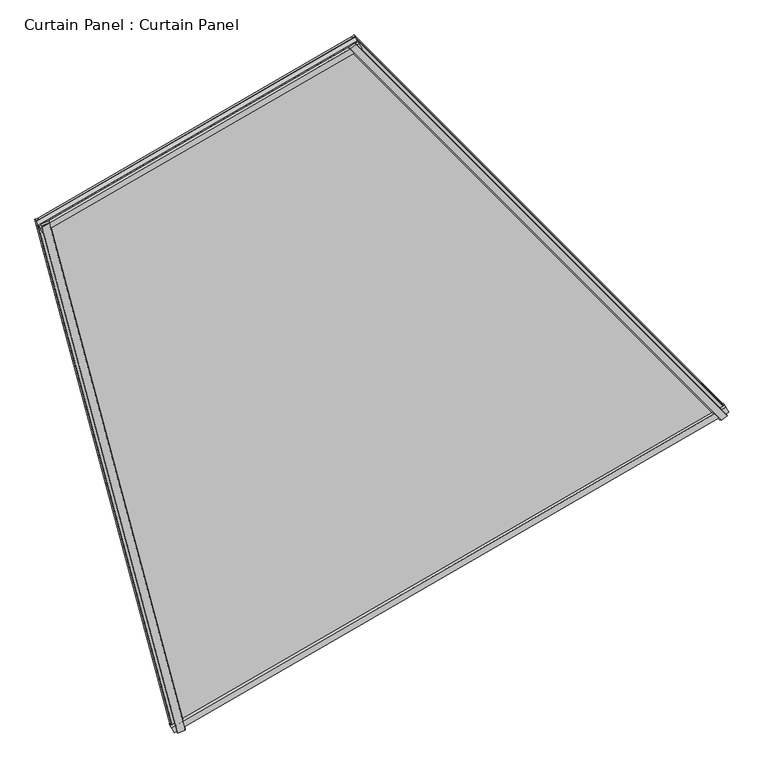
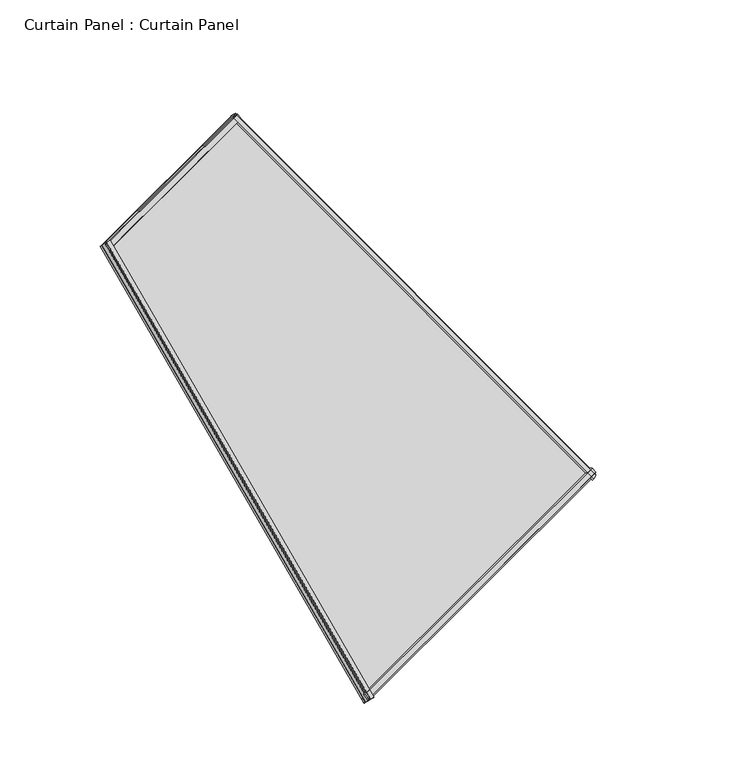
"""IFC4 building model written with IfcOpenShell, lengths in millimetres: plate geometry, Curtain Panel : Curtain Panel."""

import ifcopenshell
import ifcopenshell.guid

model = None  # the IFC model being written
_history = None  # IfcOwnerHistory: only IFC2X3 demands one
_inside = {}  # id of a spatial element -> (the spatial element, [elements in it])
_under = {}  # id of a project, library or spatial element -> (it, [spatial elements below it])
_declared = {}  # id of a project -> (the project, [libraries it declares])
_typed = {}  # id of a type object -> (the type object, [elements of that type])
_made_of = {}  # id of a material, layer set ... -> (it, [elements and type objects made of it])


def new_model(schema):
    """Start an empty IFC model of exactly this schema.

    Asked for "IFC4X3", IfcOpenShell would pick the latest addendum, in which some entities
    have other attributes; the version numbers below select the first issue.
    IFC2X3 requires an IfcOwnerHistory on every rooted entity: one is made here for all.
    """
    global model, _history
    if schema == "IFC4X3":
        model = ifcopenshell.file(schema_version=(4, 3, 0, 0))
    else:
        model = ifcopenshell.file(schema=schema)
    _inside.clear()
    _under.clear()
    _declared.clear()
    _typed.clear()
    _made_of.clear()
    _history = None
    if model.schema == "IFC2X3":
        org = make("IfcOrganization", Name="unknown")
        user = make(
            "IfcPersonAndOrganization",
            ThePerson=make("IfcPerson", FamilyName="unknown"),
            TheOrganization=org,
        )
        app = make(
            "IfcApplication",
            ApplicationDeveloper=org,
            Version="unknown",
            ApplicationFullName="unknown",
            ApplicationIdentifier="unknown",
        )
        _history = make(
            "IfcOwnerHistory",
            OwningUser=user,
            OwningApplication=app,
            ChangeAction="ADDED",
            CreationDate=0,
        )
    return model


def make(cls, **values):
    """One entity of the class cls with the attributes given. An attribute that is None is left unset."""
    return model.create_entity(
        cls, **{name: value for name, value in values.items() if value is not None}
    )


def rooted(cls, **values):
    """An entity with a GlobalId (a new one), such as an element, a storey or a relation."""
    return make(cls, GlobalId=ifcopenshell.guid.new(), OwnerHistory=_history, **values)


def si_unit(unit_type, name, prefix=None):
    """IfcSIUnit, for example si_unit("LENGTHUNIT", "METRE", prefix="MILLI")."""
    return make("IfcSIUnit", UnitType=unit_type, Prefix=prefix, Name=name)


def assignment(units):
    """IfcUnitAssignment: the units of a project."""
    return None if units is None else make("IfcUnitAssignment", Units=units)


def point(xyz):
    """IfcCartesianPoint."""
    return None if xyz is None else make("IfcCartesianPoint", Coordinates=xyz)


def direction(xyz):
    """IfcDirection."""
    return None if xyz is None else make("IfcDirection", DirectionRatios=xyz)


def frame(location, z_axis=None, x_axis=None):
    """IfcAxis2Placement3D, a coordinate frame: its origin and axes. An axis left out is left unset."""
    return make(
        "IfcAxis2Placement3D",
        Location=point(location),
        Axis=direction(z_axis),
        RefDirection=direction(x_axis),
    )


def origin():
    """The frame at (0, 0, 0) with its axes left unset."""
    return frame((0.0, 0.0, 0.0))


def place(relative_to, where):
    """IfcLocalPlacement: puts the frame where relative to a parent placement (None: the world)."""
    return make(
        "IfcLocalPlacement", PlacementRelTo=relative_to, RelativePlacement=where
    )


def context(
    kind, dimensions, precision=None, world=None, true_north=None, identifier=None
):
    """IfcGeometricRepresentationContext, for example the 3D "Model" context."""
    return make(
        "IfcGeometricRepresentationContext",
        ContextIdentifier=identifier,
        ContextType=kind,
        CoordinateSpaceDimension=dimensions,
        Precision=precision,
        WorldCoordinateSystem=world,
        TrueNorth=true_north,
    )


def project(units=None, contexts=None):
    """IfcProject with its units and contexts."""
    return rooted(
        "IfcProject",
        Name="project",
        RepresentationContexts=contexts,
        UnitsInContext=assignment(units),
    )


def spatial(cls, under=None, at=None, **own):
    """A site, building, storey or space (cls), placed at a placement, below another one or the project."""
    s = rooted(cls, ObjectPlacement=at, **own)
    if under is not None:
        _under.setdefault(under.id(), (under, []))[1].append(s)
    return s


def polyline(points):
    """IfcPolyline through the points."""
    return make("IfcPolyline", Points=[point(p) for p in points])


def outline(outer, holes=None, kind="AREA"):
    """IfcArbitraryClosedProfileDef: a profile drawn as a closed curve; with holes, ...WithVoids."""
    if holes is None:
        return make("IfcArbitraryClosedProfileDef", ProfileType=kind, OuterCurve=outer)
    return make(
        "IfcArbitraryProfileDefWithVoids",
        ProfileType=kind,
        OuterCurve=outer,
        InnerCurves=holes,
    )


def extrude(swept, where, along, depth):
    """IfcExtrudedAreaSolid: the profile swept, set in the frame where, extruded along a direction by depth."""
    return make(
        "IfcExtrudedAreaSolid",
        SweptArea=swept,
        Position=where,
        ExtrudedDirection=direction(along),
        Depth=depth,
    )


def shape(context_of_items, identifier, shape_type, items):
    """IfcShapeRepresentation: the items that make up one representation, for example the "Body"."""
    return make(
        "IfcShapeRepresentation",
        ContextOfItems=context_of_items,
        RepresentationIdentifier=identifier,
        RepresentationType=shape_type,
        Items=items,
    )


def source(mapping_origin, context_of_items, identifier, shape_type, items):
    """IfcRepresentationMap: a shape defined once, which mapped items show again and again."""
    return make(
        "IfcRepresentationMap",
        MappingOrigin=mapping_origin,
        MappedRepresentation=shape(context_of_items, identifier, shape_type, items),
    )


def transform(
    local_origin,
    x_axis=None,
    y_axis=None,
    z_axis=None,
    scale=None,
    scale2=None,
    scale3=None,
    uniform=True,
):
    """IfcCartesianTransformationOperator3D, or its non-uniform kind. x_axis, y_axis, z_axis: its Axis1, 2, 3."""
    if uniform:
        return make(
            "IfcCartesianTransformationOperator3D",
            Axis1=direction(x_axis),
            Axis2=direction(y_axis),
            LocalOrigin=point(local_origin),
            Scale=scale,
            Axis3=direction(z_axis),
        )
    return make(
        "IfcCartesianTransformationOperator3DnonUniform",
        Axis1=direction(x_axis),
        Axis2=direction(y_axis),
        LocalOrigin=point(local_origin),
        Scale=scale,
        Axis3=direction(z_axis),
        Scale2=scale2,
        Scale3=scale3,
    )


def mapped(mapping_source, mapping_target):
    """IfcMappedItem: shows the shape of a source again, moved by a transform."""
    return make(
        "IfcMappedItem", MappingSource=mapping_source, MappingTarget=mapping_target
    )


def made_of(thing, what):
    """Note that an element or type object is made of a material, layer set ...; save() writes the relation."""
    if what is not None:
        _made_of.setdefault(what.id(), (what, []))[1].append(thing)
    return thing


def element(
    cls,
    number,
    at=None,
    inside=None,
    cuts=None,
    type_object=None,
    material=None,
    context=None,
    identifier="Body",
    shape_type=None,
    held_by="IfcProductDefinitionShape",
    body=None,
    shapes=None,
    **own,
):
    """One element of the class cls, such as IfcWall. Its Tag is "e" and its number.

    at: its placement. inside: the storey or other place that contains it. cuts: it is an
    opening in that element (IfcRelVoidsElement). A single representation is given by context,
    identifier, shape_type and body (its items); several are given by shapes. held_by: the class
    of the entity that holds the representations. save() writes the other relations.
    """
    e = rooted(cls, Tag="e%d" % number, ObjectPlacement=at, **own)
    if body is not None:
        shapes = [shape(context, identifier, shape_type, body)]
    if shapes is not None:
        e.Representation = make(held_by, Representations=shapes)
    if inside is not None:
        _inside.setdefault(inside.id(), (inside, []))[1].append(e)
    if cuts is not None:
        rooted(
            "IfcRelVoidsElement", RelatingBuildingElement=cuts, RelatedOpeningElement=e
        )
    if type_object is not None:
        _typed.setdefault(type_object.id(), (type_object, []))[1].append(e)
    return made_of(e, material)


def aggregate(whole, parts):
    """IfcRelAggregates: a whole, such as a stair, and the parts it consists of."""
    return rooted("IfcRelAggregates", RelatingObject=whole, RelatedObjects=parts)


def save(model, path):
    """Write the relations noted so far, then the file.

    IfcRelAggregates (storeys below a building ...), IfcRelContainedInSpatialStructure (elements
    in a storey), IfcRelDefinesByType, IfcRelAssociatesMaterial and IfcRelDeclares: one each for
    every whole, place, type object, material and project.
    """
    for whole, parts in _under.values():
        aggregate(whole, parts)
    for where, things in _inside.values():
        rooted(
            "IfcRelContainedInSpatialStructure",
            RelatedElements=things,
            RelatingStructure=where,
        )
    for kind, things in _typed.values():
        rooted("IfcRelDefinesByType", RelatedObjects=things, RelatingType=kind)
    for what, things in _made_of.values():
        rooted("IfcRelAssociatesMaterial", RelatedObjects=things, RelatingMaterial=what)
    for by, libraries in _declared.values():
        rooted("IfcRelDeclares", RelatingContext=by, RelatedDefinitions=libraries)
    model.write(path)


def curtain_panel_curtain_panel_a0fcbd81(model_context):
    return source(origin(), model_context, "Body", "SweptSolid", [
        extrude(outline(polyline([(22.2828105, 6.010743), (17.5121093, 6.026004), (17.5121094, 25.3444409), (22.3362547, 22.5896065), (22.2828105, 6.010743)])), frame((-11512.8914111, -16235.5434391, 2447.9025634), z_axis=(-0.18301270189221905, 0.6830127018922191, 0.7071067811865479), x_axis=(0.35962729833820095, -0.6228927525104969, 0.6947465906068656)), (0.0, 0.0, 1.0), 1550.2696742),
        extrude(outline(polyline([(-2.4415114, -1e-07), (-0.1169988, 12.2669256), (4.7128906, 11.3518128), (4.7128906, 0.0), (-2.4415114, -1e-07)])), frame((-11512.8914111, -16235.5434391, 2447.9025634), z_axis=(-0.18301270189221905, 0.6830127018922191, 0.7071067811865479), x_axis=(0.35962729833820095, -0.6228927525104969, 0.6947465906068656)), (0.0, 0.0, 1.0), 1550.2696742),
        extrude(outline(polyline([(22.3832419, -6.0104218), (22.4360947, -22.5325926), (17.5121094, -25.3444409), (17.5121094, -6.026004), (22.3832419, -6.0104218)])), frame((-10354.9416987, -15567.0008609, 2447.9025634), z_axis=(-0.4999999999999864, 0.5000000000000103, 0.7071067811865499), x_axis=(0.3596272983382009, -0.6228927525104968, 0.6947465906068655)), (0.0, 0.0, 1.0), 1550.2696742),
        extrude(outline(polyline([(-2.341918, 0.0), (4.7128906, 1e-07), (4.7128907, -11.3518128), (-0.0211602, -12.2487672), (-2.341918, 0.0)])), frame((-10354.9416987, -15567.0008609, 2447.9025634), z_axis=(-0.4999999999999864, 0.5000000000000103, 0.7071067811865499), x_axis=(0.3596272983382009, -0.6228927525104968, 0.6947465906068655)), (0.0, 0.0, 1.0), 1550.2696742),
        extrude(outline(polyline([(4.7128906, 0.0), (4.7128906, -13.7689417), (-0.0072961, -12.7820367), (-2.884415, -2.033638), (4.7128906, 0.0)])), frame((-11512.8989812, -16235.3043134, 2448.1208762), z_axis=(0.8660254037844419, 0.4999999999999945, 0.0), x_axis=(0.3596272983382009, -0.6228927525104968, 0.6947465906068656)), (0.0, 0.0, 1.0), 1336.8591423),
        extrude(outline(polyline([(22.4691869, -21.8874309), (17.5121094, -24.3595662), (17.5121094, -3.9575953), (22.473391, -5.2216894), (22.4691869, -21.8874309)])), frame((-11512.8989812, -16235.3043134, 2448.1208762), z_axis=(0.8660254037844419, 0.4999999999999945, 0.0), x_axis=(0.3596272983382009, -0.6228927525104968, 0.6947465906068656)), (0.0, 0.0, 1.0), 1336.8591423),
        extrude(outline(polyline([(4.7128906, 0.0), (-2.884415, 2.0336379), (-0.0072961, 12.7820366), (4.7128906, 13.7689417), (4.7128906, 0.0)])), frame((-11796.6180229, -15176.4504345, 3544.3270755), z_axis=(0.8660254037844353, 0.5000000000000058, 0.0), x_axis=(0.3596272983382009, -0.6228927525104968, 0.6947465906068656)), (0.0, 0.0, 1.0), 769.4210588),
        extrude(outline(polyline([(22.4691869, 21.8874308), (22.473391, 5.2216894), (17.5121094, 3.9575953), (17.5121094, 24.3595661), (22.4691869, 21.8874308)])), frame((-11796.6180229, -15176.4504345, 3544.3270755), z_axis=(0.8660254037844353, 0.5000000000000058, 0.0), x_axis=(0.3596272983382009, -0.6228927525104968, 0.6947465906068656)), (0.0, 0.0, 1.0), 769.4210588),
        extrude(outline(polyline([(-15.9776101, 1e-07), (-260.6604955, -1314.3914233), (-1707.0817929, -756.5370578), (-1566.2472843, 1e-07), (-15.9776101, 1e-07)])), frame((-10345.41238, -15577.7709209, 2440.0972644), z_axis=(0.35962729833820095, -0.6228927525104969, 0.6947465906068656), x_axis=(0.49999999999998784, -0.5000000000000092, -0.7071067811865497)), (0.0, 0.0, 1.0), 12.7992187),
    ])


if __name__ == "__main__":
    model = new_model("IFC4")
    model_context = context("Model", 3, world=origin())
    ifc_project = project(units=[si_unit("LENGTHUNIT", "METRE", prefix="MILLI")], contexts=[model_context])
    site = spatial("IfcSite", under=ifc_project)
    building = spatial("IfcBuilding", under=site)
    placement = place(None, origin())
    curtain_panel_curtain_panel_shape = curtain_panel_curtain_panel_a0fcbd81(model_context)
    element("IfcPlate", 1, ObjectType="Curtain Panel : Curtain Panel", at=placement, inside=building, context=model_context, shape_type="MappedRepresentation", body=[
        mapped(curtain_panel_curtain_panel_shape, transform((0.0, 0.0, 0.0), x_axis=(1.0, 0.0, 0.0), y_axis=(0.0, 1.0, 0.0), z_axis=(0.0, 0.0, 1.0))),
    ])
    save(model, "model.ifc")
